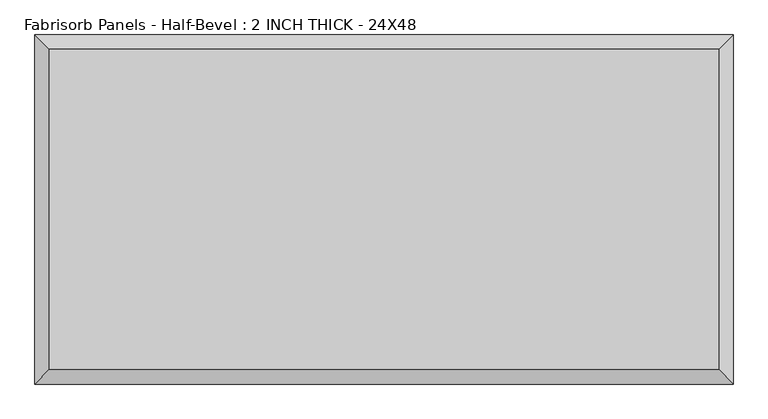
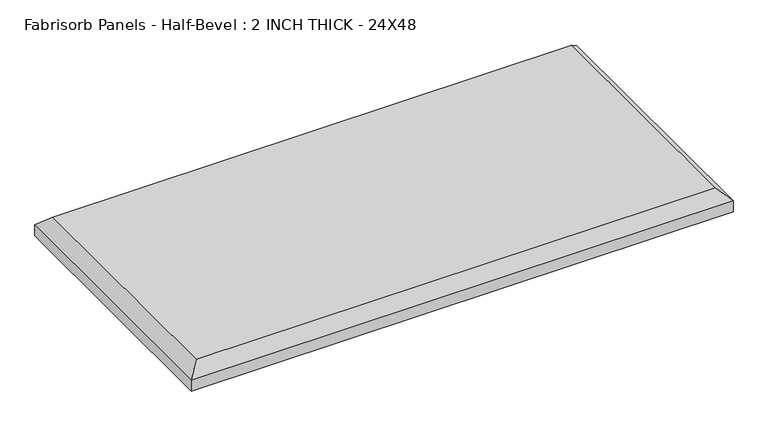
"""IFC4 building model written with IfcOpenShell, lengths in millimetres: proxy geometry, Fabrisorb Panels - Half-Bevel : 2 INCH THICK - 24X48."""

from ifc_helpers import new_model, si_unit, origin, place, context, project, spatial, faceted_brep, source, transform, mapped, element, save


def fabrisorb_panels_half_bevel_2_inch_thick_24x48_e111da22(model_context):
    return source(origin(), model_context, "Body", "Brep", [
        faceted_brep([(584.2, 279.4, 50.8), (-584.2, 279.4, 50.8), (-584.2, -279.4, 50.8), (584.2, -279.4, 50.8), (-609.6, 304.8, 0.0), (609.6, 304.8, 0.0), (609.6, -304.8, 0.0), (-609.6, -304.8, 0.0), (-609.6, -304.8, 25.4), (-609.6, 304.8, 25.4), (609.6, -304.8, 25.4), (609.6, 304.8, 25.4)], [[[0, 1, 2, 3]], [[4, 5, 6, 7]], [[4, 7, 8, 9]], [[7, 6, 10, 8]], [[6, 5, 11, 10]], [[5, 4, 9, 11]], [[9, 1, 0, 11]], [[1, 9, 8, 2]], [[2, 8, 10, 3]], [[11, 0, 3, 10]]]),
    ])


if __name__ == "__main__":
    model = new_model("IFC4")
    model_context = context("Model", 3, world=origin())
    ifc_project = project(units=[si_unit("LENGTHUNIT", "METRE", prefix="MILLI")], contexts=[model_context])
    site = spatial("IfcSite", under=ifc_project)
    building = spatial("IfcBuilding", under=site)
    placement = place(None, origin())
    fabrisorb_panels_half_bevel_2_inch_thick_24x48_shape = fabrisorb_panels_half_bevel_2_inch_thick_24x48_e111da22(model_context)
    element("IfcBuildingElementProxy", 1, Name="Fabrisorb Panels - Half-Bevel : 2 INCH THICK - 24X48", ObjectType="Fabrisorb Panels - Half-Bevel : 2 INCH THICK - 24X48", at=placement, inside=building, context=model_context, shape_type="MappedRepresentation", body=[
        mapped(fabrisorb_panels_half_bevel_2_inch_thick_24x48_shape, transform((0.0, 0.0, 0.0), x_axis=(1.0, 0.0, 0.0), y_axis=(0.0, 1.0, 0.0), z_axis=(0.0, 0.0, 1.0))),
    ])
    save(model, "model.ifc")
